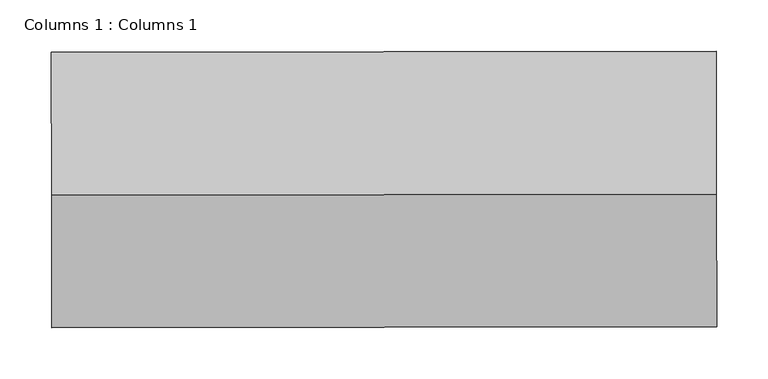
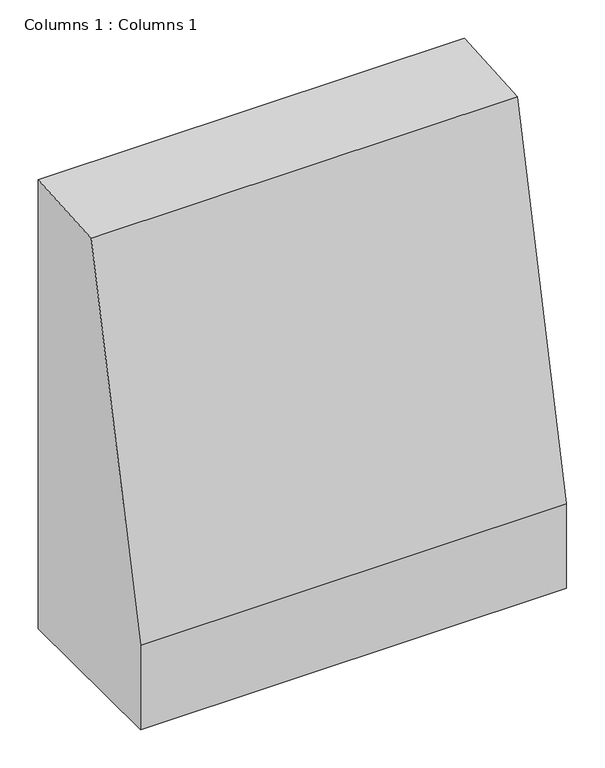
"""IFC4 building model written with IfcOpenShell, lengths in millimetres: column geometry, Columns 1 : Columns 1."""

import ifcopenshell
import ifcopenshell.guid

model = None  # the IFC model being written
_history = None  # IfcOwnerHistory: only IFC2X3 demands one
_inside = {}  # id of a spatial element -> (the spatial element, [elements in it])
_under = {}  # id of a project, library or spatial element -> (it, [spatial elements below it])
_declared = {}  # id of a project -> (the project, [libraries it declares])
_typed = {}  # id of a type object -> (the type object, [elements of that type])
_made_of = {}  # id of a material, layer set ... -> (it, [elements and type objects made of it])


def new_model(schema):
    """Start an empty IFC model of exactly this schema.

    Asked for "IFC4X3", IfcOpenShell would pick the latest addendum, in which some entities
    have other attributes; the version numbers below select the first issue.
    IFC2X3 requires an IfcOwnerHistory on every rooted entity: one is made here for all.
    """
    global model, _history
    if schema == "IFC4X3":
        model = ifcopenshell.file(schema_version=(4, 3, 0, 0))
    else:
        model = ifcopenshell.file(schema=schema)
    _inside.clear()
    _under.clear()
    _declared.clear()
    _typed.clear()
    _made_of.clear()
    _history = None
    if model.schema == "IFC2X3":
        org = make("IfcOrganization", Name="unknown")
        user = make(
            "IfcPersonAndOrganization",
            ThePerson=make("IfcPerson", FamilyName="unknown"),
            TheOrganization=org,
        )
        app = make(
            "IfcApplication",
            ApplicationDeveloper=org,
            Version="unknown",
            ApplicationFullName="unknown",
            ApplicationIdentifier="unknown",
        )
        _history = make(
            "IfcOwnerHistory",
            OwningUser=user,
            OwningApplication=app,
            ChangeAction="ADDED",
            CreationDate=0,
        )
    return model


def make(cls, **values):
    """One entity of the class cls with the attributes given. An attribute that is None is left unset."""
    return model.create_entity(
        cls, **{name: value for name, value in values.items() if value is not None}
    )


def rooted(cls, **values):
    """An entity with a GlobalId (a new one), such as an element, a storey or a relation."""
    return make(cls, GlobalId=ifcopenshell.guid.new(), OwnerHistory=_history, **values)


def si_unit(unit_type, name, prefix=None):
    """IfcSIUnit, for example si_unit("LENGTHUNIT", "METRE", prefix="MILLI")."""
    return make("IfcSIUnit", UnitType=unit_type, Prefix=prefix, Name=name)


def assignment(units):
    """IfcUnitAssignment: the units of a project."""
    return None if units is None else make("IfcUnitAssignment", Units=units)


def point(xyz):
    """IfcCartesianPoint."""
    return None if xyz is None else make("IfcCartesianPoint", Coordinates=xyz)


def direction(xyz):
    """IfcDirection."""
    return None if xyz is None else make("IfcDirection", DirectionRatios=xyz)


def frame(location, z_axis=None, x_axis=None):
    """IfcAxis2Placement3D, a coordinate frame: its origin and axes. An axis left out is left unset."""
    return make(
        "IfcAxis2Placement3D",
        Location=point(location),
        Axis=direction(z_axis),
        RefDirection=direction(x_axis),
    )


def origin():
    """The frame at (0, 0, 0) with its axes left unset."""
    return frame((0.0, 0.0, 0.0))


def place(relative_to, where):
    """IfcLocalPlacement: puts the frame where relative to a parent placement (None: the world)."""
    return make(
        "IfcLocalPlacement", PlacementRelTo=relative_to, RelativePlacement=where
    )


def context(
    kind, dimensions, precision=None, world=None, true_north=None, identifier=None
):
    """IfcGeometricRepresentationContext, for example the 3D "Model" context."""
    return make(
        "IfcGeometricRepresentationContext",
        ContextIdentifier=identifier,
        ContextType=kind,
        CoordinateSpaceDimension=dimensions,
        Precision=precision,
        WorldCoordinateSystem=world,
        TrueNorth=true_north,
    )


def project(units=None, contexts=None):
    """IfcProject with its units and contexts."""
    return rooted(
        "IfcProject",
        Name="project",
        RepresentationContexts=contexts,
        UnitsInContext=assignment(units),
    )


def spatial(cls, under=None, at=None, **own):
    """A site, building, storey or space (cls), placed at a placement, below another one or the project."""
    s = rooted(cls, ObjectPlacement=at, **own)
    if under is not None:
        _under.setdefault(under.id(), (under, []))[1].append(s)
    return s


def polyline(points):
    """IfcPolyline through the points."""
    return make("IfcPolyline", Points=[point(p) for p in points])


def outline(outer, holes=None, kind="AREA"):
    """IfcArbitraryClosedProfileDef: a profile drawn as a closed curve; with holes, ...WithVoids."""
    if holes is None:
        return make("IfcArbitraryClosedProfileDef", ProfileType=kind, OuterCurve=outer)
    return make(
        "IfcArbitraryProfileDefWithVoids",
        ProfileType=kind,
        OuterCurve=outer,
        InnerCurves=holes,
    )


def extrude(swept, where, along, depth):
    """IfcExtrudedAreaSolid: the profile swept, set in the frame where, extruded along a direction by depth."""
    return make(
        "IfcExtrudedAreaSolid",
        SweptArea=swept,
        Position=where,
        ExtrudedDirection=direction(along),
        Depth=depth,
    )


def shape(context_of_items, identifier, shape_type, items):
    """IfcShapeRepresentation: the items that make up one representation, for example the "Body"."""
    return make(
        "IfcShapeRepresentation",
        ContextOfItems=context_of_items,
        RepresentationIdentifier=identifier,
        RepresentationType=shape_type,
        Items=items,
    )


def source(mapping_origin, context_of_items, identifier, shape_type, items):
    """IfcRepresentationMap: a shape defined once, which mapped items show again and again."""
    return make(
        "IfcRepresentationMap",
        MappingOrigin=mapping_origin,
        MappedRepresentation=shape(context_of_items, identifier, shape_type, items),
    )


def transform(
    local_origin,
    x_axis=None,
    y_axis=None,
    z_axis=None,
    scale=None,
    scale2=None,
    scale3=None,
    uniform=True,
):
    """IfcCartesianTransformationOperator3D, or its non-uniform kind. x_axis, y_axis, z_axis: its Axis1, 2, 3."""
    if uniform:
        return make(
            "IfcCartesianTransformationOperator3D",
            Axis1=direction(x_axis),
            Axis2=direction(y_axis),
            LocalOrigin=point(local_origin),
            Scale=scale,
            Axis3=direction(z_axis),
        )
    return make(
        "IfcCartesianTransformationOperator3DnonUniform",
        Axis1=direction(x_axis),
        Axis2=direction(y_axis),
        LocalOrigin=point(local_origin),
        Scale=scale,
        Axis3=direction(z_axis),
        Scale2=scale2,
        Scale3=scale3,
    )


def mapped(mapping_source, mapping_target):
    """IfcMappedItem: shows the shape of a source again, moved by a transform."""
    return make(
        "IfcMappedItem", MappingSource=mapping_source, MappingTarget=mapping_target
    )


def made_of(thing, what):
    """Note that an element or type object is made of a material, layer set ...; save() writes the relation."""
    if what is not None:
        _made_of.setdefault(what.id(), (what, []))[1].append(thing)
    return thing


def element(
    cls,
    number,
    at=None,
    inside=None,
    cuts=None,
    type_object=None,
    material=None,
    context=None,
    identifier="Body",
    shape_type=None,
    held_by="IfcProductDefinitionShape",
    body=None,
    shapes=None,
    **own,
):
    """One element of the class cls, such as IfcWall. Its Tag is "e" and its number.

    at: its placement. inside: the storey or other place that contains it. cuts: it is an
    opening in that element (IfcRelVoidsElement). A single representation is given by context,
    identifier, shape_type and body (its items); several are given by shapes. held_by: the class
    of the entity that holds the representations. save() writes the other relations.
    """
    e = rooted(cls, Tag="e%d" % number, ObjectPlacement=at, **own)
    if body is not None:
        shapes = [shape(context, identifier, shape_type, body)]
    if shapes is not None:
        e.Representation = make(held_by, Representations=shapes)
    if inside is not None:
        _inside.setdefault(inside.id(), (inside, []))[1].append(e)
    if cuts is not None:
        rooted(
            "IfcRelVoidsElement", RelatingBuildingElement=cuts, RelatedOpeningElement=e
        )
    if type_object is not None:
        _typed.setdefault(type_object.id(), (type_object, []))[1].append(e)
    return made_of(e, material)


def aggregate(whole, parts):
    """IfcRelAggregates: a whole, such as a stair, and the parts it consists of."""
    return rooted("IfcRelAggregates", RelatingObject=whole, RelatedObjects=parts)


def save(model, path):
    """Write the relations noted so far, then the file.

    IfcRelAggregates (storeys below a building ...), IfcRelContainedInSpatialStructure (elements
    in a storey), IfcRelDefinesByType, IfcRelAssociatesMaterial and IfcRelDeclares: one each for
    every whole, place, type object, material and project.
    """
    for whole, parts in _under.values():
        aggregate(whole, parts)
    for where, things in _inside.values():
        rooted(
            "IfcRelContainedInSpatialStructure",
            RelatedElements=things,
            RelatingStructure=where,
        )
    for kind, things in _typed.values():
        rooted("IfcRelDefinesByType", RelatedObjects=things, RelatingType=kind)
    for what, things in _made_of.values():
        rooted("IfcRelAssociatesMaterial", RelatedObjects=things, RelatingMaterial=what)
    for by, libraries in _declared.values():
        rooted("IfcRelDeclares", RelatingContext=by, RelatedDefinitions=libraries)
    model.write(path)


def columns_1_columns_1_fa3320bd(model_context):
    return source(origin(), model_context, "Body", "SweptSolid", [
        extrude(outline(polyline([(-139.3404759, 0.0), (0.0, 0.0), (-50.2243754, -716.9306116), (-317.15552, -698.2308242), (-307.7080887, -563.372946), (-139.3404759, 0.0)])), frame((-33468.679438, 57662.223632, 108627.5427169), z_axis=(0.9999994825464215, 0.0010173037351834222, 0.0), x_axis=(-0.0010148165934226465, 0.9975546468618787, 0.06988345062712754)), (0.0, 0.0, 1.0), 646.2073182),
    ])


if __name__ == "__main__":
    model = new_model("IFC4")
    model_context = context("Model", 3, world=origin())
    ifc_project = project(units=[si_unit("LENGTHUNIT", "METRE", prefix="MILLI")], contexts=[model_context])
    site = spatial("IfcSite", under=ifc_project)
    building = spatial("IfcBuilding", under=site)
    placement = place(None, origin())
    columns_1_columns_1_shape = columns_1_columns_1_fa3320bd(model_context)
    element("IfcColumn", 1, ObjectType="Columns 1 : Columns 1", at=placement, inside=building, context=model_context, shape_type="MappedRepresentation", body=[
        mapped(columns_1_columns_1_shape, transform((0.0, 0.0, 0.0), x_axis=(1.0, 0.0, 0.0), y_axis=(0.0, 1.0, 0.0), z_axis=(0.0, 0.0, 1.0))),
    ])
    save(model, "model.ifc")
